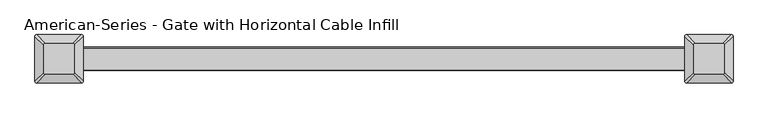
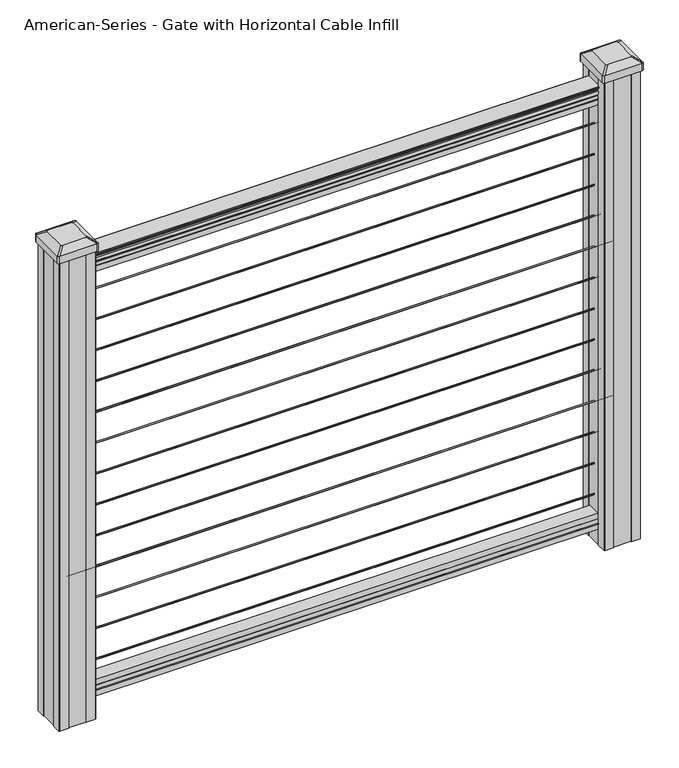
"""IFC4 building model written with IfcOpenShell, lengths in millimetres: proxy geometry, American-Series - Gate with Horizontal Cable Infill."""

from ifc_helpers import new_model, si_unit, point, frame, frame_2d, origin, place, context, project, spatial, polyline, circle_curve, trimmed, segment, composite_curve, outline, extrude, source, transform, mapped, element, save
from ifc_brep_helpers import plane_surface, extruded_surface, advanced_brep


def american_series_gate_with_horizontal_cable_infill_8aeef42e(model_context):
    return source(origin(), model_context, "Body", "SolidModel", [
        extrude(outline(composite_curve([segment(trimmed(circle_curve(frame_2d((0.0, 941.3875)), 1.5875), [point((1.5875, 941.3875))], [point((0.0, 939.8))], False, "CARTESIAN"), True, "CONTINUOUS"), segment(trimmed(circle_curve(frame_2d((0.0, 941.3875)), 1.5875), [point((0.0, 939.8))], [point((-1.5875, 941.3875))], False, "CARTESIAN"), True, "CONTINUOUS"), segment(trimmed(circle_curve(frame_2d((0.0, 941.3875)), 1.5875), [point((-1.5875, 941.3875))], [point((0.0, 942.975))], False, "CARTESIAN"), True, "CONTINUOUS"), segment(trimmed(circle_curve(frame_2d((0.0, 941.3875)), 1.5875), [point((0.0, 942.975))], [point((1.5875, 941.3875))], False, "CARTESIAN"), True, "CONTINUOUS")], self_intersect=False)), frame((-609.6, 0.0, 0.0), z_axis=(1.0, 0.0, 0.0), x_axis=(0.0, 1.0, 0.0)), (0.0, 0.0, 1.0), 1219.2),
        extrude(outline(composite_curve([segment(trimmed(circle_curve(frame_2d((0.0, 868.3625)), 1.5875), [point((1.5875, 868.3625))], [point((0.0, 866.775))], False, "CARTESIAN"), True, "CONTINUOUS"), segment(trimmed(circle_curve(frame_2d((0.0, 868.3625)), 1.5875), [point((0.0, 866.775))], [point((-1.5875, 868.3625))], False, "CARTESIAN"), True, "CONTINUOUS"), segment(trimmed(circle_curve(frame_2d((0.0, 868.3625)), 1.5875), [point((-1.5875, 868.3625))], [point((0.0, 869.95))], False, "CARTESIAN"), True, "CONTINUOUS"), segment(trimmed(circle_curve(frame_2d((0.0, 868.3625)), 1.5875), [point((0.0, 869.95))], [point((1.5875, 868.3625))], False, "CARTESIAN"), True, "CONTINUOUS")], self_intersect=False)), frame((-609.6, 0.0, 0.0), z_axis=(1.0, 0.0, 0.0), x_axis=(0.0, 1.0, 0.0)), (0.0, 0.0, 1.0), 1219.2),
        extrude(outline(composite_curve([segment(trimmed(circle_curve(frame_2d((0.0, 795.3375)), 1.5875), [point((1.5875, 795.3375))], [point((0.0, 793.75))], False, "CARTESIAN"), True, "CONTINUOUS"), segment(trimmed(circle_curve(frame_2d((0.0, 795.3375)), 1.5875), [point((0.0, 793.75))], [point((-1.5875, 795.3375))], False, "CARTESIAN"), True, "CONTINUOUS"), segment(trimmed(circle_curve(frame_2d((0.0, 795.3375)), 1.5875), [point((-1.5875, 795.3375))], [point((0.0, 796.925))], False, "CARTESIAN"), True, "CONTINUOUS"), segment(trimmed(circle_curve(frame_2d((0.0, 795.3375)), 1.5875), [point((0.0, 796.925))], [point((1.5875, 795.3375))], False, "CARTESIAN"), True, "CONTINUOUS")], self_intersect=False)), frame((-609.6, 0.0, 0.0), z_axis=(1.0, 0.0, 0.0), x_axis=(0.0, 1.0, 0.0)), (0.0, 0.0, 1.0), 1219.2),
        extrude(outline(composite_curve([segment(trimmed(circle_curve(frame_2d((0.0, 722.3125)), 1.5875), [point((1.5875, 722.3125))], [point((0.0, 720.725))], False, "CARTESIAN"), True, "CONTINUOUS"), segment(trimmed(circle_curve(frame_2d((0.0, 722.3125)), 1.5875), [point((0.0, 720.725))], [point((-1.5875, 722.3125))], False, "CARTESIAN"), True, "CONTINUOUS"), segment(trimmed(circle_curve(frame_2d((0.0, 722.3125)), 1.5875), [point((-1.5875, 722.3125))], [point((0.0, 723.9))], False, "CARTESIAN"), True, "CONTINUOUS"), segment(trimmed(circle_curve(frame_2d((0.0, 722.3125)), 1.5875), [point((0.0, 723.9))], [point((1.5875, 722.3125))], False, "CARTESIAN"), True, "CONTINUOUS")], self_intersect=False)), frame((-609.6, 0.0, 0.0), z_axis=(1.0, 0.0, 0.0), x_axis=(0.0, 1.0, 0.0)), (0.0, 0.0, 1.0), 1219.2),
        extrude(outline(polyline([(-15.9124869, 76.0541976), (-14.8964869, 77.3546183), (-14.8964869, 87.7141717), (-15.9124869, 89.0624492), (-15.9124869, 101.5958781), (15.8375131, 101.5958781), (15.8375131, 89.0458024), (14.8215131, 87.6975248), (14.8215131, 77.3858283), (15.8375131, 76.0375508), (15.8375131, 63.5), (-15.9124869, 63.5), (-15.9124869, 76.0541976)])), frame((-609.6, 0.0, 0.0), z_axis=(1.0, 0.0, 0.0), x_axis=(0.0, 1.0, 0.0)), (0.0, 0.0, 1.0), 1219.2),
        extrude(outline(composite_curve([segment(trimmed(circle_curve(frame_2d((0.0, 649.2875)), 1.5875), [point((1.5875, 649.2875))], [point((0.0, 647.7))], False, "CARTESIAN"), True, "CONTINUOUS"), segment(trimmed(circle_curve(frame_2d((0.0, 649.2875)), 1.5875), [point((0.0, 647.7))], [point((-1.5875, 649.2875))], False, "CARTESIAN"), True, "CONTINUOUS"), segment(trimmed(circle_curve(frame_2d((0.0, 649.2875)), 1.5875), [point((-1.5875, 649.2875))], [point((0.0, 650.875))], False, "CARTESIAN"), True, "CONTINUOUS"), segment(trimmed(circle_curve(frame_2d((0.0, 649.2875)), 1.5875), [point((0.0, 650.875))], [point((1.5875, 649.2875))], False, "CARTESIAN"), True, "CONTINUOUS")], self_intersect=False)), frame((-609.6, 0.0, 0.0), z_axis=(1.0, 0.0, 0.0), x_axis=(0.0, 1.0, 0.0)), (0.0, 0.0, 1.0), 1219.2),
        extrude(outline(composite_curve([segment(trimmed(circle_curve(frame_2d((0.0, 576.2625)), 1.5875), [point((1.5875, 576.2625))], [point((0.0, 574.675))], False, "CARTESIAN"), True, "CONTINUOUS"), segment(trimmed(circle_curve(frame_2d((0.0, 576.2625)), 1.5875), [point((0.0, 574.675))], [point((-1.5875, 576.2625))], False, "CARTESIAN"), True, "CONTINUOUS"), segment(trimmed(circle_curve(frame_2d((0.0, 576.2625)), 1.5875), [point((-1.5875, 576.2625))], [point((0.0, 577.85))], False, "CARTESIAN"), True, "CONTINUOUS"), segment(trimmed(circle_curve(frame_2d((0.0, 576.2625)), 1.5875), [point((0.0, 577.85))], [point((1.5875, 576.2625))], False, "CARTESIAN"), True, "CONTINUOUS")], self_intersect=False)), frame((-609.6, 0.0, 0.0), z_axis=(1.0, 0.0, 0.0), x_axis=(0.0, 1.0, 0.0)), (0.0, 0.0, 1.0), 1219.2),
        extrude(outline(composite_curve([segment(trimmed(circle_curve(frame_2d((0.0, 503.2375)), 1.5875), [point((1.5875, 503.2375))], [point((0.0, 501.65))], False, "CARTESIAN"), True, "CONTINUOUS"), segment(trimmed(circle_curve(frame_2d((0.0, 503.2375)), 1.5875), [point((0.0, 501.65))], [point((-1.5875, 503.2375))], False, "CARTESIAN"), True, "CONTINUOUS"), segment(trimmed(circle_curve(frame_2d((0.0, 503.2375)), 1.5875), [point((-1.5875, 503.2375))], [point((0.0, 504.825))], False, "CARTESIAN"), True, "CONTINUOUS"), segment(trimmed(circle_curve(frame_2d((0.0, 503.2375)), 1.5875), [point((0.0, 504.825))], [point((1.5875, 503.2375))], False, "CARTESIAN"), True, "CONTINUOUS")], self_intersect=False)), frame((-609.6, 0.0, 0.0), z_axis=(1.0, 0.0, 0.0), x_axis=(0.0, 1.0, 0.0)), (0.0, 0.0, 1.0), 1219.2),
        extrude(outline(composite_curve([segment(trimmed(circle_curve(frame_2d((0.0, 430.2125)), 1.5875), [point((1.5875, 430.2125))], [point((0.0, 428.625))], False, "CARTESIAN"), True, "CONTINUOUS"), segment(trimmed(circle_curve(frame_2d((0.0, 430.2125)), 1.5875), [point((0.0, 428.625))], [point((-1.5875, 430.2125))], False, "CARTESIAN"), True, "CONTINUOUS"), segment(trimmed(circle_curve(frame_2d((0.0, 430.2125)), 1.5875), [point((-1.5875, 430.2125))], [point((0.0, 431.8))], False, "CARTESIAN"), True, "CONTINUOUS"), segment(trimmed(circle_curve(frame_2d((0.0, 430.2125)), 1.5875), [point((0.0, 431.8))], [point((1.5875, 430.2125))], False, "CARTESIAN"), True, "CONTINUOUS")], self_intersect=False)), frame((-609.6, 0.0, 0.0), z_axis=(1.0, 0.0, 0.0), x_axis=(0.0, 1.0, 0.0)), (0.0, 0.0, 1.0), 1219.2),
        extrude(outline(composite_curve([segment(trimmed(circle_curve(frame_2d((0.0, 357.1875)), 1.5875), [point((1.5875, 357.1875))], [point((0.0, 355.6))], False, "CARTESIAN"), True, "CONTINUOUS"), segment(trimmed(circle_curve(frame_2d((0.0, 357.1875)), 1.5875), [point((0.0, 355.6))], [point((-1.5875, 357.1875))], False, "CARTESIAN"), True, "CONTINUOUS"), segment(trimmed(circle_curve(frame_2d((0.0, 357.1875)), 1.5875), [point((-1.5875, 357.1875))], [point((0.0, 358.775))], False, "CARTESIAN"), True, "CONTINUOUS"), segment(trimmed(circle_curve(frame_2d((0.0, 357.1875)), 1.5875), [point((0.0, 358.775))], [point((1.5875, 357.1875))], False, "CARTESIAN"), True, "CONTINUOUS")], self_intersect=False)), frame((-609.6, 0.0, 0.0), z_axis=(1.0, 0.0, 0.0), x_axis=(0.0, 1.0, 0.0)), (0.0, 0.0, 1.0), 1219.2),
        extrude(outline(composite_curve([segment(trimmed(circle_curve(frame_2d((0.0, 284.1625)), 1.5875), [point((1.5875, 284.1625))], [point((0.0, 282.575))], False, "CARTESIAN"), True, "CONTINUOUS"), segment(trimmed(circle_curve(frame_2d((0.0, 284.1625)), 1.5875), [point((0.0, 282.575))], [point((-1.5875, 284.1625))], False, "CARTESIAN"), True, "CONTINUOUS"), segment(trimmed(circle_curve(frame_2d((0.0, 284.1625)), 1.5875), [point((-1.5875, 284.1625))], [point((0.0, 285.75))], False, "CARTESIAN"), True, "CONTINUOUS"), segment(trimmed(circle_curve(frame_2d((0.0, 284.1625)), 1.5875), [point((0.0, 285.75))], [point((1.5875, 284.1625))], False, "CARTESIAN"), True, "CONTINUOUS")], self_intersect=False)), frame((-609.6, 0.0, 0.0), z_axis=(1.0, 0.0, 0.0), x_axis=(0.0, 1.0, 0.0)), (0.0, 0.0, 1.0), 1219.2),
        extrude(outline(composite_curve([segment(trimmed(circle_curve(frame_2d((0.0, 211.1375)), 1.5875), [point((1.5875, 211.1375))], [point((0.0, 209.55))], False, "CARTESIAN"), True, "CONTINUOUS"), segment(trimmed(circle_curve(frame_2d((0.0, 211.1375)), 1.5875), [point((0.0, 209.55))], [point((-1.5875, 211.1375))], False, "CARTESIAN"), True, "CONTINUOUS"), segment(trimmed(circle_curve(frame_2d((0.0, 211.1375)), 1.5875), [point((-1.5875, 211.1375))], [point((0.0, 212.725))], False, "CARTESIAN"), True, "CONTINUOUS"), segment(trimmed(circle_curve(frame_2d((0.0, 211.1375)), 1.5875), [point((0.0, 212.725))], [point((1.5875, 211.1375))], False, "CARTESIAN"), True, "CONTINUOUS")], self_intersect=False)), frame((-609.6, 0.0, 0.0), z_axis=(1.0, 0.0, 0.0), x_axis=(0.0, 1.0, 0.0)), (0.0, 0.0, 1.0), 1219.2),
        extrude(outline(composite_curve([segment(trimmed(circle_curve(frame_2d((0.0, 138.1125)), 1.5875), [point((1.5875, 138.1125))], [point((0.0, 136.525))], False, "CARTESIAN"), True, "CONTINUOUS"), segment(trimmed(circle_curve(frame_2d((0.0, 138.1125)), 1.5875), [point((0.0, 136.525))], [point((-1.5875, 138.1125))], False, "CARTESIAN"), True, "CONTINUOUS"), segment(trimmed(circle_curve(frame_2d((0.0, 138.1125)), 1.5875), [point((-1.5875, 138.1125))], [point((0.0, 139.7))], False, "CARTESIAN"), True, "CONTINUOUS"), segment(trimmed(circle_curve(frame_2d((0.0, 138.1125)), 1.5875), [point((0.0, 139.7))], [point((1.5875, 138.1125))], False, "CARTESIAN"), True, "CONTINUOUS")], self_intersect=False)), frame((-609.6, 0.0, 0.0), z_axis=(1.0, 0.0, 0.0), x_axis=(0.0, 1.0, 0.0)), (0.0, 0.0, 1.0), 1219.2),
        extrude(outline(composite_curve([segment(trimmed(circle_curve(frame_2d((0.0, 1014.4125)), 1.5875), [point((1.5875, 1014.4125))], [point((0.0, 1012.825))], False, "CARTESIAN"), True, "CONTINUOUS"), segment(trimmed(circle_curve(frame_2d((0.0, 1014.4125)), 1.5875), [point((0.0, 1012.825))], [point((-1.5875, 1014.4125))], False, "CARTESIAN"), True, "CONTINUOUS"), segment(trimmed(circle_curve(frame_2d((0.0, 1014.4125)), 1.5875), [point((-1.5875, 1014.4125))], [point((0.0, 1016.0))], False, "CARTESIAN"), True, "CONTINUOUS"), segment(trimmed(circle_curve(frame_2d((0.0, 1014.4125)), 1.5875), [point((0.0, 1016.0))], [point((1.5875, 1014.4125))], False, "CARTESIAN"), True, "CONTINUOUS")], self_intersect=False)), frame((-609.6, 0.0, 0.0), z_axis=(1.0, 0.0, 0.0), x_axis=(0.0, 1.0, 0.0)), (0.0, 0.0, 1.0), 1219.2),
        extrude(outline(composite_curve([segment(trimmed(circle_curve(frame_2d((0.0, 65.0875)), 1.5875), [point((1.5875, 65.0875))], [point((0.0, 63.5))], False, "CARTESIAN"), True, "CONTINUOUS"), segment(trimmed(circle_curve(frame_2d((0.0, 65.0875)), 1.5875), [point((0.0, 63.5))], [point((-1.5875, 65.0875))], False, "CARTESIAN"), True, "CONTINUOUS"), segment(trimmed(circle_curve(frame_2d((0.0, 65.0875)), 1.5875), [point((-1.5875, 65.0875))], [point((0.0, 66.675))], False, "CARTESIAN"), True, "CONTINUOUS"), segment(trimmed(circle_curve(frame_2d((0.0, 65.0875)), 1.5875), [point((0.0, 66.675))], [point((1.5875, 65.0875))], False, "CARTESIAN"), True, "CONTINUOUS")], self_intersect=False)), frame((-609.6, 0.0, 0.0), z_axis=(1.0, 0.0, 0.0), x_axis=(0.0, 1.0, 0.0)), (0.0, 0.0, 1.0), 1219.2),
        extrude(outline(composite_curve([segment(polyline([(1090.8043297, 17.4328287), (1092.692412, 17.4328287)]), True, "CONTINUOUS"), segment(trimmed(circle_curve(frame_2d((1098.4506383, 11.1180755)), 8.545951), [point((1092.692412, 17.4328287))], [point((1094.2546695, 18.563015))], False, "CARTESIAN"), True, "CONTINUOUS"), segment(trimmed(circle_curve(frame_2d((1097.8636577, 11.5551384)), 7.882584), [point((1094.2546695, 18.563015))], [point((1101.4726458, 18.563015))], False, "CARTESIAN"), True, "CONTINUOUS"), segment(trimmed(circle_curve(frame_2d((1103.7112527, 22.0684625)), 4.1592695), [point((1101.4726458, 18.563015))], [point((1103.9060812, 17.9137586))], True, "CARTESIAN"), True, "CONTINUOUS"), segment(trimmed(circle_curve(frame_2d((1103.6508864, 23.3557691)), 5.4479907), [point((1103.9060812, 17.9137586))], [point((1108.2362083, 20.4137586))], True, "CARTESIAN"), True, "CONTINUOUS"), segment(trimmed(circle_curve(frame_2d((1108.233395, 22.1226107)), 1.7088543), [point((1108.2362083, 20.4137586))], [point((1109.9157972, 21.8231011))], True, "CARTESIAN"), True, "CONTINUOUS"), segment(trimmed(circle_curve(frame_2d((1111.0205318, 20.5057106)), 1.7192895), [point((1109.9157972, 21.8231011))], [point((1111.0205318, 22.2250001))], False, "CARTESIAN"), True, "CONTINUOUS"), segment(polyline([(1111.0205318, 22.2250001), (1112.3608158, 22.225)]), True, "CONTINUOUS"), segment(trimmed(circle_curve(frame_2d((1112.3608158, 20.6715528)), 1.5534472), [point((1112.3608158, 22.225))], [point((1113.914263, 20.6715528))], False, "CARTESIAN"), True, "CONTINUOUS"), segment(polyline([(1113.914263, 20.6715528), (1113.914263, -20.6715528)]), True, "CONTINUOUS"), segment(trimmed(circle_curve(frame_2d((1112.3608158, -20.6715528)), 1.5534472), [point((1113.914263, -20.6715528))], [point((1112.3608158, -22.225))], False, "CARTESIAN"), True, "CONTINUOUS"), segment(polyline([(1112.3608158, -22.225), (1111.0205318, -22.225)]), True, "CONTINUOUS"), segment(trimmed(circle_curve(frame_2d((1111.0205318, -20.5057106)), 1.7192895), [point((1111.0205318, -22.225))], [point((1109.9157972, -21.8231011))], False, "CARTESIAN"), True, "CONTINUOUS"), segment(trimmed(circle_curve(frame_2d((1108.233395, -22.1226107)), 1.7088543), [point((1109.9157972, -21.8231011))], [point((1108.2362083, -20.4137586))], True, "CARTESIAN"), True, "CONTINUOUS"), segment(trimmed(circle_curve(frame_2d((1103.6508864, -23.3557691)), 5.4479907), [point((1108.2362083, -20.4137586))], [point((1103.9060812, -17.9137586))], True, "CARTESIAN"), True, "CONTINUOUS"), segment(trimmed(circle_curve(frame_2d((1103.7112527, -22.0684625)), 4.1592695), [point((1103.9060812, -17.9137586))], [point((1101.4726458, -18.563015))], True, "CARTESIAN"), True, "CONTINUOUS"), segment(trimmed(circle_curve(frame_2d((1097.8636577, -11.5551384)), 7.882584), [point((1101.4726458, -18.563015))], [point((1094.2546695, -18.563015))], False, "CARTESIAN"), True, "CONTINUOUS"), segment(trimmed(circle_curve(frame_2d((1098.4506383, -11.1180755)), 8.545951), [point((1094.2546695, -18.563015))], [point((1092.692412, -17.4328287))], False, "CARTESIAN"), True, "CONTINUOUS"), segment(polyline([(1092.692412, -17.4328287), (1090.8043297, -17.4328287)]), True, "CONTINUOUS"), segment(trimmed(circle_curve(frame_2d((1090.8043297, -16.1459144)), 1.2869144), [point((1090.8043297, -17.4328287))], [point((1090.8043297, -14.859))], False, "CARTESIAN"), True, "CONTINUOUS"), segment(polyline([(1090.8043297, -14.859), (1080.3048283, -14.859), (1079.2888283, -15.875), (1066.8, -15.875), (1066.8, 15.875), (1079.131013, 15.875), (1080.147013, 14.859), (1090.8043297, 14.859)]), True, "CONTINUOUS"), segment(trimmed(circle_curve(frame_2d((1090.8043297, 16.1459144)), 1.2869144), [point((1090.8043297, 14.859))], [point((1090.8043297, 17.4328287))], False, "CARTESIAN"), True, "CONTINUOUS")], self_intersect=False)), frame((609.6, 0.0, 0.0), z_axis=(-1.0, 0.0, 0.0), x_axis=(0.0, 0.0, 1.0)), (0.0, 0.0, 1.0), 1219.2),
        advanced_brep(
        [(583.803125, 28.971875, 1165.225), (580.628125, 25.796875, 1165.225), (580.628125, -25.796875, 1165.225), (583.803125, -28.971875, 1165.225), (635.396875, -28.971875, 1165.225), (638.571875, -25.796875, 1165.225), (638.571875, 25.796875, 1165.225), (635.396875, 28.971875, 1165.225), (567.53125, 45.24375, 1153.922), (651.66875, 45.24375, 1153.922), (654.84375, 42.06875, 1153.922), (654.84375, -42.06875, 1153.922), (651.66875, -45.24375, 1153.922), (567.53125, -45.24375, 1153.922), (564.35625, -42.06875, 1153.922), (564.35625, 42.06875, 1153.922)],
        [
            (0, 1, circle_curve(frame((583.803125, 25.796875, 1165.225), z_axis=(0.0, 0.0, 1.0), x_axis=(0.0, -1.0, 0.0)), 3.175)),
            (1, 2),
            (2, 3, circle_curve(frame((583.803125, -25.796875, 1165.225), z_axis=(0.0, 0.0, 1.0), x_axis=(0.0, -1.0, 0.0)), 3.175)),
            (3, 4),
            (4, 5, circle_curve(frame((635.396875, -25.796875, 1165.225), z_axis=(0.0, 0.0, 1.0), x_axis=(0.0, -1.0, 0.0)), 3.175)),
            (5, 6),
            (6, 7, circle_curve(frame((635.396875, 25.796875, 1165.225), z_axis=(0.0, 0.0, 1.0), x_axis=(0.0, -1.0, 0.0)), 3.175)),
            (7, 0),
            (8, 9),
            (9, 10, circle_curve(frame((651.66875, 42.06875, 1153.922), z_axis=(0.0, 0.0, -1.0), x_axis=(0.0, -1.0, 0.0)), 3.175)),
            (10, 11),
            (11, 12, circle_curve(frame((651.66875, -42.06875, 1153.922), z_axis=(0.0, 0.0, -1.0), x_axis=(0.0, -1.0, 0.0)), 3.175)),
            (12, 13),
            (13, 14, circle_curve(frame((567.53125, -42.06875, 1153.922), z_axis=(0.0, 0.0, -1.0), x_axis=(0.0, -1.0, 0.0)), 3.175)),
            (14, 15),
            (15, 8, circle_curve(frame((567.53125, 42.06875, 1153.922), z_axis=(0.0, 0.0, -1.0), x_axis=(0.0, -1.0, 0.0)), 3.175)),
            (15, 1),
            (0, 8),
            (14, 2),
            (13, 3),
            (12, 4),
            (11, 5),
            (10, 6),
            (9, 7),
        ],
        [
            plane_surface(frame((609.6, 0.0, 1165.225), z_axis=(0.0, 0.0, 1.0), x_axis=(-1.0, 0.0, 0.0))),
            plane_surface(frame((609.6, 0.0, 1153.922), z_axis=(0.0, 0.0, -1.0), x_axis=(-1.0, 0.0, 0.0))),
            extruded_surface(trimmed(circle_curve(frame((567.53125, 42.06875, 1153.922), z_axis=(0.0, 0.0, 1.0), x_axis=(0.0, -1.0, 0.0)), 3.175), [point((567.53125, 45.24375, 1153.922))], [point((564.35625, 42.06875, 1153.922))], True, "CARTESIAN"), (16.271875000000023, -16.271875, 11.302999999999884), 25.637972638866128),
            plane_surface(frame((564.35625, 0.0, 1153.922), z_axis=(-0.5705009161540777, 0.0, 0.8212969649690409), x_axis=(0.0, -1.0, 0.0))),
            extruded_surface(trimmed(circle_curve(frame((567.53125, -42.06875, 1153.922), z_axis=(0.0, 0.0, 1.0), x_axis=(0.0, -1.0, 0.0)), 3.175), [point((564.35625, -42.06875, 1153.922))], [point((567.53125, -45.24375, 1153.922))], True, "CARTESIAN"), (16.271875000000023, 16.271875, 11.302999999999884), 25.637972638866128),
            plane_surface(frame((609.6, -45.24375, 1153.922), z_axis=(0.0, -0.5705009161540291, 0.8212969649690747), x_axis=(1.0, 0.0, 0.0))),
            extruded_surface(trimmed(circle_curve(frame((651.66875, -42.06875, 1153.922), z_axis=(0.0, 0.0, 1.0), x_axis=(0.0, -1.0, 0.0)), 3.175), [point((651.66875, -45.24375, 1153.922))], [point((654.84375, -42.06875, 1153.922))], True, "CARTESIAN"), (-16.271875000000023, 16.271875, 11.302999999999884), 25.637972638866128),
            plane_surface(frame((654.84375, 0.0, 1153.922), z_axis=(0.5705009161540143, 0.0, 0.821296964969085), x_axis=(0.0, 1.0, 0.0))),
            extruded_surface(trimmed(circle_curve(frame((651.66875, 42.06875, 1153.922), z_axis=(0.0, 0.0, 1.0), x_axis=(0.0, -1.0, 0.0)), 3.175), [point((654.84375, 42.06875, 1153.922))], [point((651.66875, 45.24375, 1153.922))], True, "CARTESIAN"), (-16.271875000000023, -16.271875, 11.302999999999884), 25.637972638866128),
            plane_surface(frame((609.6, 45.24375, 1153.922), z_axis=(0.0, 0.570500916154034, 0.8212969649690713), x_axis=(-1.0, 0.0, 0.0))),
        ],
        [
            (0, [[1, 2, 3, 4, 5, 6, 7, 8]]),
            (1, [[9, 10, 11, 12, 13, 14, 15, 16]]),
            (2, [[-16, 17, -1, 18]]),
            (3, [[-15, 19, -2, -17]]),
            (4, [[-14, 20, -3, -19]]),
            (5, [[-13, 21, -4, -20]]),
            (6, [[-12, 22, -5, -21]]),
            (7, [[-11, 23, -6, -22]]),
            (8, [[-10, 24, -7, -23]]),
            (9, [[-9, -18, -8, -24]]),
        ],
    ),
        extrude(outline(composite_curve([segment(polyline([(567.53125, 45.24375), (651.66875, 45.24375)]), True, "CONTINUOUS"), segment(trimmed(circle_curve(frame_2d((651.66875, 42.06875)), 3.175), [point((651.66875, 45.24375))], [point((654.84375, 42.06875))], False, "CARTESIAN"), True, "CONTINUOUS"), segment(polyline([(654.84375, 42.06875), (654.84375, -42.06875)]), True, "CONTINUOUS"), segment(trimmed(circle_curve(frame_2d((651.66875, -42.06875)), 3.175), [point((654.84375, -42.06875))], [point((651.66875, -45.24375))], False, "CARTESIAN"), True, "CONTINUOUS"), segment(polyline([(651.66875, -45.24375), (567.53125, -45.24375)]), True, "CONTINUOUS"), segment(trimmed(circle_curve(frame_2d((567.53125, -42.06875)), 3.175), [point((567.53125, -45.24375))], [point((564.35625, -42.06875))], False, "CARTESIAN"), True, "CONTINUOUS"), segment(polyline([(564.35625, -42.06875), (564.35625, 42.06875)]), True, "CONTINUOUS"), segment(trimmed(circle_curve(frame_2d((567.53125, 42.06875)), 3.175), [point((564.35625, 42.06875))], [point((567.53125, 45.24375))], False, "CARTESIAN"), True, "CONTINUOUS")], self_intersect=False)), frame((0.0, 0.0, 1136.65), z_axis=(0.0, 0.0, 1.0), x_axis=(1.0, 0.0, 0.0)), (0.0, 0.0, 1.0), 17.272),
        extrude(outline(polyline([(569.9125, 41.275), (589.534, 41.275), (590.296, 39.6875), (628.904, 39.6875), (629.666, 41.275), (649.2875, 41.275), (650.875, 39.6875), (650.875, 20.066), (649.2875, 19.304), (649.2875, -19.304), (650.875, -20.066), (650.875, -39.6875), (649.2875, -41.275), (629.666, -41.275), (628.904, -39.6875), (590.296, -39.6875), (589.534, -41.275), (569.9125, -41.275), (568.325, -39.6875), (568.325, -20.066), (569.9125, -19.304), (569.9125, 19.304), (568.325, 20.066), (568.325, 39.6875), (569.9125, 41.275)])), frame((0.0, 0.0, 28.575), z_axis=(0.0, 0.0, 1.0), x_axis=(1.0, 0.0, 0.0)), (0.0, 0.0, 1.0), 1108.075),
        advanced_brep(
        [(-635.396875, 28.971875, 1165.225), (-638.571875, 25.796875, 1165.225), (-638.571875, -25.796875, 1165.225), (-635.396875, -28.971875, 1165.225), (-583.803125, -28.971875, 1165.225), (-580.628125, -25.796875, 1165.225), (-580.628125, 25.796875, 1165.225), (-583.803125, 28.971875, 1165.225), (-651.66875, 45.24375, 1153.922), (-567.53125, 45.24375, 1153.922), (-564.35625, 42.06875, 1153.922), (-564.35625, -42.06875, 1153.922), (-567.53125, -45.24375, 1153.922), (-651.66875, -45.24375, 1153.922), (-654.84375, -42.06875, 1153.922), (-654.84375, 42.06875, 1153.922)],
        [
            (0, 1, circle_curve(frame((-635.396875, 25.796875, 1165.225), z_axis=(0.0, 0.0, 1.0), x_axis=(0.0, -1.0, 0.0)), 3.175)),
            (1, 2),
            (2, 3, circle_curve(frame((-635.396875, -25.796875, 1165.225), z_axis=(0.0, 0.0, 1.0), x_axis=(0.0, -1.0, 0.0)), 3.175)),
            (3, 4),
            (4, 5, circle_curve(frame((-583.803125, -25.796875, 1165.225), z_axis=(0.0, 0.0, 1.0), x_axis=(0.0, -1.0, 0.0)), 3.175)),
            (5, 6),
            (6, 7, circle_curve(frame((-583.803125, 25.796875, 1165.225), z_axis=(0.0, 0.0, 1.0), x_axis=(0.0, -1.0, 0.0)), 3.175)),
            (7, 0),
            (8, 9),
            (9, 10, circle_curve(frame((-567.53125, 42.06875, 1153.922), z_axis=(0.0, 0.0, -1.0), x_axis=(0.0, -1.0, 0.0)), 3.175)),
            (10, 11),
            (11, 12, circle_curve(frame((-567.53125, -42.06875, 1153.922), z_axis=(0.0, 0.0, -1.0), x_axis=(0.0, -1.0, 0.0)), 3.175)),
            (12, 13),
            (13, 14, circle_curve(frame((-651.66875, -42.06875, 1153.922), z_axis=(0.0, 0.0, -1.0), x_axis=(0.0, -1.0, 0.0)), 3.175)),
            (14, 15),
            (15, 8, circle_curve(frame((-651.66875, 42.06875, 1153.922), z_axis=(0.0, 0.0, -1.0), x_axis=(0.0, -1.0, 0.0)), 3.175)),
            (15, 1),
            (0, 8),
            (14, 2),
            (13, 3),
            (12, 4),
            (11, 5),
            (10, 6),
            (9, 7),
        ],
        [
            plane_surface(frame((-609.6, 0.0, 1165.225), z_axis=(0.0, 0.0, 1.0), x_axis=(-1.0, 0.0, 0.0))),
            plane_surface(frame((-609.6, 0.0, 1153.922), z_axis=(0.0, 0.0, -1.0), x_axis=(-1.0, 0.0, 0.0))),
            extruded_surface(trimmed(circle_curve(frame((-651.66875, 42.06875, 1153.922), z_axis=(0.0, 0.0, 1.0), x_axis=(0.0, -1.0, 0.0)), 3.175), [point((-651.66875, 45.24375, 1153.922))], [point((-654.84375, 42.06875, 1153.922))], True, "CARTESIAN"), (16.271875000000023, -16.271875, 11.302999999999884), 25.637972638866128),
            plane_surface(frame((-654.84375, 0.0, 1153.922), z_axis=(-0.5705009161540777, 0.0, 0.8212969649690409), x_axis=(0.0, -1.0, 0.0))),
            extruded_surface(trimmed(circle_curve(frame((-651.66875, -42.06875, 1153.922), z_axis=(0.0, 0.0, 1.0), x_axis=(0.0, -1.0, 0.0)), 3.175), [point((-654.84375, -42.06875, 1153.922))], [point((-651.66875, -45.24375, 1153.922))], True, "CARTESIAN"), (16.271875000000023, 16.271875, 11.302999999999884), 25.637972638866128),
            plane_surface(frame((-609.6, -45.24375, 1153.922), z_axis=(0.0, -0.5705009161540291, 0.8212969649690747), x_axis=(1.0, 0.0, 0.0))),
            extruded_surface(trimmed(circle_curve(frame((-567.53125, -42.06875, 1153.922), z_axis=(0.0, 0.0, 1.0), x_axis=(0.0, -1.0, 0.0)), 3.175), [point((-567.53125, -45.24375, 1153.922))], [point((-564.35625, -42.06875, 1153.922))], True, "CARTESIAN"), (-16.271875000000023, 16.271875, 11.302999999999884), 25.637972638866128),
            plane_surface(frame((-564.35625, 0.0, 1153.922), z_axis=(0.5705009161540143, 0.0, 0.821296964969085), x_axis=(0.0, 1.0, 0.0))),
            extruded_surface(trimmed(circle_curve(frame((-567.53125, 42.06875, 1153.922), z_axis=(0.0, 0.0, 1.0), x_axis=(0.0, -1.0, 0.0)), 3.175), [point((-564.35625, 42.06875, 1153.922))], [point((-567.53125, 45.24375, 1153.922))], True, "CARTESIAN"), (-16.271875000000023, -16.271875, 11.302999999999884), 25.637972638866128),
            plane_surface(frame((-609.6, 45.24375, 1153.922), z_axis=(0.0, 0.570500916154034, 0.8212969649690713), x_axis=(-1.0, 0.0, 0.0))),
        ],
        [
            (0, [[1, 2, 3, 4, 5, 6, 7, 8]]),
            (1, [[9, 10, 11, 12, 13, 14, 15, 16]]),
            (2, [[-16, 17, -1, 18]]),
            (3, [[-15, 19, -2, -17]]),
            (4, [[-14, 20, -3, -19]]),
            (5, [[-13, 21, -4, -20]]),
            (6, [[-12, 22, -5, -21]]),
            (7, [[-11, 23, -6, -22]]),
            (8, [[-10, 24, -7, -23]]),
            (9, [[-9, -18, -8, -24]]),
        ],
    ),
        extrude(outline(composite_curve([segment(polyline([(-651.66875, 45.24375), (-567.53125, 45.24375)]), True, "CONTINUOUS"), segment(trimmed(circle_curve(frame_2d((-567.53125, 42.06875)), 3.175), [point((-567.53125, 45.24375))], [point((-564.35625, 42.06875))], False, "CARTESIAN"), True, "CONTINUOUS"), segment(polyline([(-564.35625, 42.06875), (-564.35625, -42.06875)]), True, "CONTINUOUS"), segment(trimmed(circle_curve(frame_2d((-567.53125, -42.06875)), 3.175), [point((-564.35625, -42.06875))], [point((-567.53125, -45.24375))], False, "CARTESIAN"), True, "CONTINUOUS"), segment(polyline([(-567.53125, -45.24375), (-651.66875, -45.24375)]), True, "CONTINUOUS"), segment(trimmed(circle_curve(frame_2d((-651.66875, -42.06875)), 3.175), [point((-651.66875, -45.24375))], [point((-654.84375, -42.06875))], False, "CARTESIAN"), True, "CONTINUOUS"), segment(polyline([(-654.84375, -42.06875), (-654.84375, 42.06875)]), True, "CONTINUOUS"), segment(trimmed(circle_curve(frame_2d((-651.66875, 42.06875)), 3.175), [point((-654.84375, 42.06875))], [point((-651.66875, 45.24375))], False, "CARTESIAN"), True, "CONTINUOUS")], self_intersect=False)), frame((0.0, 0.0, 1136.65), z_axis=(0.0, 0.0, 1.0), x_axis=(1.0, 0.0, 0.0)), (0.0, 0.0, 1.0), 17.272),
        extrude(outline(polyline([(-649.2875, 41.275), (-629.666, 41.275), (-628.904, 39.6875), (-590.296, 39.6875), (-589.534, 41.275), (-569.9125, 41.275), (-568.325, 39.6875), (-568.325, 20.066), (-569.9125, 19.304), (-569.9125, -19.304), (-568.325, -20.066), (-568.325, -39.6875), (-569.9125, -41.275), (-589.534, -41.275), (-590.296, -39.6875), (-628.904, -39.6875), (-629.666, -41.275), (-649.2875, -41.275), (-650.875, -39.6875), (-650.875, -20.066), (-649.2875, -19.304), (-649.2875, 19.304), (-650.875, 20.066), (-650.875, 39.6875), (-649.2875, 41.275)])), frame((0.0, 0.0, 28.575), z_axis=(0.0, 0.0, 1.0), x_axis=(1.0, 0.0, 0.0)), (0.0, 0.0, 1.0), 1108.075),
    ])


if __name__ == "__main__":
    model = new_model("IFC4")
    model_context = context("Model", 3, world=origin())
    ifc_project = project(units=[si_unit("LENGTHUNIT", "METRE", prefix="MILLI")], contexts=[model_context])
    site = spatial("IfcSite", under=ifc_project)
    building = spatial("IfcBuilding", under=site)
    placement = place(None, origin())
    american_series_gate_with_horizontal_cable_infill_shape = american_series_gate_with_horizontal_cable_infill_8aeef42e(model_context)
    element("IfcBuildingElementProxy", 1, Name="American-Series - Gate with Horizontal Cable Infill", ObjectType="American-Series - Gate with Horizontal Cable Infill", at=placement, inside=building, context=model_context, shape_type="MappedRepresentation", body=[
        mapped(american_series_gate_with_horizontal_cable_infill_shape, transform((0.0, 0.0, 0.0), x_axis=(1.0, 0.0, 0.0), y_axis=(0.0, 1.0, 0.0), z_axis=(0.0, 0.0, 1.0))),
    ])
    save(model, "model.ifc")
